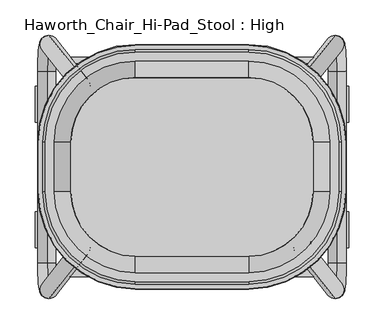
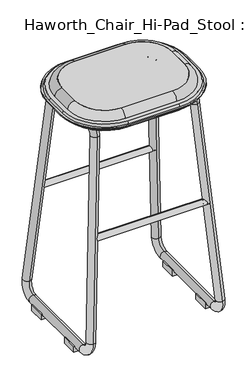
"""IFC4 building model written with IfcOpenShell, lengths in millimetres: furniture geometry, Haworth_Chair_Hi-Pad_Stool : High."""

from ifc_helpers import new_model, si_unit, point, frame, frame_2d, origin, place, context, project, spatial, polyline, circle_curve, ellipse_curve, trimmed, segment, composite_curve, outline, extrude, source, transform, mapped, element, save
from ifc_brep_helpers import plane_surface, cylinder_surface, revolved_surface, advanced_brep


def haworth_chair_hi_pad_stool_high_e360388b(model_context):
    return source(origin(), model_context, "Body", "SolidModel", [
        advanced_brep(
        [(-171.9189031, 34.925, 768.35), (-171.9189031, -34.925, 768.35), (-80.1154768, -126.7284262, 768.35), (80.1154768, -126.7284262, 768.35), (171.9189031, -34.925, 768.35), (171.9189031, 34.925, 768.35), (80.1154768, 126.7284262, 768.35), (-80.1154768, 126.7284262, 768.35), (-178.5135382, 34.925, 723.9250418), (-80.1154768, 133.3230614, 723.9250418), (80.1154768, 133.3230614, 723.9250418), (178.5135382, 34.925, 723.9250418), (178.5135382, -34.925, 723.9250418), (80.1154768, -133.3230614, 723.9250418), (-80.1154768, -133.3230614, 723.9250418), (-178.5135382, -34.925, 723.9250418)],
        [
            (0, 1),
            (1, 2, circle_curve(frame((-80.1154768, -34.925, 768.35), z_axis=(0.0, 0.0, 1.0), x_axis=(0.0, -1.0000000000000002, 0.0)), 91.8034262)),
            (2, 3),
            (3, 4, circle_curve(frame((80.1154768, -34.925, 768.35), z_axis=(0.0, 0.0, 1.0), x_axis=(1.0000000000000002, 0.0, 0.0)), 91.8034262)),
            (4, 5),
            (5, 6, circle_curve(frame((80.1154768, 34.925, 768.35), z_axis=(0.0, 0.0, 1.0), x_axis=(0.0, 1.0000000000000002, 0.0)), 91.8034262)),
            (6, 7),
            (7, 0, circle_curve(frame((-80.1154768, 34.925, 768.35), z_axis=(0.0, 0.0, 1.0), x_axis=(-1.0000000000000002, 0.0, 0.0)), 91.8034262)),
            (8, 9, circle_curve(frame((-80.1154768, 34.925, 723.9250418), z_axis=(0.0, 0.0, -1.0), x_axis=(-1.0000000000000002, 0.0, 0.0)), 98.3980614)),
            (9, 10),
            (10, 11, circle_curve(frame((80.1154768, 34.925, 723.9250418), z_axis=(0.0, 0.0, -1.0), x_axis=(0.0, 1.0000000000000002, 0.0)), 98.3980614)),
            (11, 12),
            (12, 13, circle_curve(frame((80.1154768, -34.925, 723.9250418), z_axis=(0.0, 0.0, -1.0), x_axis=(1.0000000000000002, 0.0, 0.0)), 98.3980614)),
            (13, 14),
            (14, 15, circle_curve(frame((-80.1154768, -34.925, 723.9250418), z_axis=(0.0, 0.0, -1.0), x_axis=(0.0, -1.0000000000000002, 0.0)), 98.3980614)),
            (15, 8),
            (8, 0),
            (7, 9),
            (6, 10),
            (5, 11),
            (4, 12),
            (3, 13),
            (2, 14),
            (1, 15),
        ],
        [
            plane_surface(frame((0.0, 0.0, 768.35), z_axis=(0.0, 0.0, 1.0), x_axis=(1.0, 0.0, 0.0))),
            plane_surface(frame((0.0, 0.0, 723.9250418), z_axis=(0.0, 0.0, -1.0), x_axis=(1.0, 0.0, 0.0))),
            revolved_surface(polyline([(-171.91890304995738, 34.925, 768.35), (-178.5135382, 34.925, 723.9250418)]), (-80.1154768, 34.925, 1386.7865444), (0.0, 0.0, -1.0)),
            plane_surface(frame((0.0, 133.3230614, 723.9250418), z_axis=(0.0, 0.989160943328851, 0.14683537786507003), x_axis=(1.0, 0.0, 0.0))),
            revolved_surface(polyline([(80.1154768, 126.72842624995738, 768.35), (80.1154768, 133.3230614, 723.9250418)]), (80.1154768, 34.925, 1386.7865444), (0.0, 0.0, -1.0)),
            plane_surface(frame((178.5135382, 0.0, 723.9250418), z_axis=(0.9891609433288493, 0.0, 0.14683537786508108), x_axis=(0.0, -1.0, 0.0))),
            revolved_surface(polyline([(171.91890304995738, -34.925, 768.35), (178.5135382, -34.925, 723.9250418)]), (80.1154768, -34.925, 1386.7865444), (0.0, 0.0, -1.0)),
            plane_surface(frame((0.0, -133.3230614, 723.9250418), z_axis=(0.0, -0.9891609433288517, 0.14683537786506412), x_axis=(-1.0, 0.0, 0.0))),
            revolved_surface(polyline([(-80.1154768, -126.72842624995738, 768.35), (-80.1154768, -133.3230614, 723.9250418)]), (-80.1154768, -34.925, 1386.7865444), (0.0, 0.0, -1.0)),
            plane_surface(frame((-178.5135382, 0.0, 723.9250418), z_axis=(-0.989160943328849, 0.0, 0.14683537786508405), x_axis=(0.0, 1.0, 0.0))),
        ],
        [
            (0, [[1, 2, 3, 4, 5, 6, 7, 8]]),
            (1, [[9, 10, 11, 12, 13, 14, 15, 16]]),
            (2, [[17, -8, 18, -9]]),
            (3, [[-18, -7, 19, -10]]),
            (4, [[-19, -6, 20, -11]]),
            (5, [[-20, -5, 21, -12]]),
            (6, [[-21, -4, 22, -13]]),
            (7, [[-22, -3, 23, -14]]),
            (8, [[-23, -2, 24, -15]]),
            (9, [[-24, -1, -17, -16]]),
        ],
    ),
        advanced_brep(
        [(80.1154768, -126.7284262, 768.35), (80.1154768, -133.3230614, 723.9250418), (-80.1154768, -133.3230614, 723.9250418), (-80.1154768, -126.7284262, 768.35), (-80.1154768, -127.3919978, 768.3597382), (-80.1154768, -149.9409798, 747.4493229), (80.1154768, -149.9409798, 747.4493229), (-207.8314566, -34.925, 747.4493229), (-80.1154768, -162.6409798, 747.4493229), (80.1154768, -162.6409798, 747.4493229), (207.8314566, -34.925, 747.4493229), (207.8314566, 34.925, 747.4493229), (80.1154768, 162.6409798, 747.4493229), (-80.1154768, 162.6409798, 747.4493229), (-207.8314566, 34.925, 747.4493229), (-195.1314566, -34.925, 747.4493229), (-195.1314566, 34.925, 747.4493229), (-80.1154768, 149.9409798, 747.4493229), (80.1154768, 149.9409798, 747.4493229), (195.1314566, 34.925, 747.4493229), (195.1314566, -34.925, 747.4493229), (-80.1154768, -166.2791169, 739.6473126), (80.1154768, -166.2791169, 739.6473126), (-217.8195937, -34.925, 739.6473126), (-80.1154768, -172.6291169, 739.6473126), (80.1154768, -172.6291169, 739.6473126), (217.8195937, -34.925, 739.6473126), (217.8195937, 34.925, 739.6473126), (80.1154768, 172.6291169, 739.6473126), (-80.1154768, 172.6291169, 739.6473126), (-217.8195937, 34.925, 739.6473126), (-211.4695937, -34.925, 739.6473126), (-211.4695937, 34.925, 739.6473126), (-80.1154768, 166.2791169, 739.6473126), (80.1154768, 166.2791169, 739.6473126), (211.4695937, 34.925, 739.6473126), (211.4695937, -34.925, 739.6473126), (-80.1154768, -173.4175169, 736.7049637), (80.1154768, -173.4175169, 736.7049637), (-218.6079938, -34.925, 736.7049637), (-218.6079938, 34.925, 736.7049637), (-80.1154768, 173.4175169, 736.7049637), (80.1154768, 173.4175169, 736.7049637), (218.6079938, 34.925, 736.7049637), (218.6079938, -34.925, 736.7049637), (-212.2579938, -34.925, 736.7049637), (-80.1154768, -167.0675169, 736.7049637), (80.1154768, -167.0675169, 736.7049637), (212.2579938, -34.925, 736.7049637), (212.2579938, 34.925, 736.7049637), (80.1154768, 167.0675169, 736.7049637), (-80.1154768, 167.0675169, 736.7049637), (-212.2579938, 34.925, 736.7049637), (-80.1154768, -163.4840689, 726.8595211), (80.1154768, -163.4840689, 726.8595211), (171.9189031, -34.925, 768.35), (178.5135382, -34.925, 723.9250418), (208.6745457, -34.925, 726.8595211), (171.9189031, 34.925, 768.35), (178.5135382, 34.925, 723.9250418), (208.6745457, 34.925, 726.8595211), (80.1154768, 126.7284262, 768.35), (80.1154768, 133.3230614, 723.9250418), (80.1154768, 163.4840689, 726.8595211), (-80.1154768, 126.7284262, 768.35), (-80.1154768, 133.3230614, 723.9250418), (-80.1154768, 163.4840689, 726.8595211), (-171.9189031, -34.925, 768.35), (-178.5135382, -34.925, 723.9250418), (-208.6745457, -34.925, 726.8595211), (-178.5135382, 34.925, 723.9250418), (-171.9189031, 34.925, 768.35), (-208.6745457, 34.925, 726.8595211)],
        [
            (0, 1),
            (1, 2),
            (2, 3),
            (3, 0),
            (3, 4, circle_curve(frame((-80.1154768, -127.3919978, 745.7465561), z_axis=(1.0, 0.0, 0.0), x_axis=(0.0, -1.0000000000000002, 0.0)), 22.6131821)),
            (4, 5, circle_curve(frame((-80.1154768, -127.3919978, 745.7465561), z_axis=(1.0, 0.0, 0.0), x_axis=(0.0, -1.0000000000000002, 0.0)), 22.6131821)),
            (5, 6),
            (6, 0, circle_curve(frame((80.1154768, -127.3919978, 745.7465561), z_axis=(-1.0, 0.0, 0.0), x_axis=(0.0, -1.0000000000000002, 0.0)), 22.6131821)),
            (7, 8, circle_curve(frame((-80.1154768, -34.925, 747.4493229), z_axis=(0.0, 0.0, 1.0), x_axis=(-1.0000000000000002, 0.0, 0.0)), 127.7159798)),
            (8, 9),
            (9, 10, circle_curve(frame((80.1154768, -34.925, 747.4493229), z_axis=(0.0, 0.0, 1.0), x_axis=(1.0000000000000002, 0.0, 0.0)), 127.7159798)),
            (10, 11),
            (11, 12, circle_curve(frame((80.1154768, 34.925, 747.4493229), z_axis=(0.0, 0.0, 1.0), x_axis=(1.0000000000000002, 0.0, 0.0)), 127.7159798)),
            (12, 13),
            (13, 14, circle_curve(frame((-80.1154768, 34.925, 747.4493229), z_axis=(0.0, 0.0, 1.0), x_axis=(-1.0000000000000002, 0.0, 0.0)), 127.7159798)),
            (14, 7),
            (5, 15, circle_curve(frame((-80.1154768, -34.925, 747.4493229), z_axis=(0.0, 0.0, -1.0), x_axis=(-1.0000000000000002, 0.0, 0.0)), 115.0159798)),
            (15, 16),
            (16, 17, circle_curve(frame((-80.1154768, 34.925, 747.4493229), z_axis=(0.0, 0.0, -1.0), x_axis=(-1.0000000000000002, 0.0, 0.0)), 115.0159798)),
            (17, 18),
            (18, 19, circle_curve(frame((80.1154768, 34.925, 747.4493229), z_axis=(0.0, 0.0, -1.0), x_axis=(1.0000000000000002, 0.0, 0.0)), 115.0159798)),
            (19, 20),
            (20, 6, circle_curve(frame((80.1154768, -34.925, 747.4493229), z_axis=(0.0, 0.0, -1.0), x_axis=(1.0000000000000002, 0.0, 0.0)), 115.0159798)),
            (8, 21, circle_curve(frame((-80.1154768, -153.8392427, 738.5957548), z_axis=(1.0, 0.0, 0.0), x_axis=(0.0, -1.0000000000000002, 0.0)), 12.4842398)),
            (21, 22),
            (22, 9, circle_curve(frame((80.1154768, -153.8392427, 738.5957548), z_axis=(-1.0, 0.0, 0.0), x_axis=(0.0, -1.0000000000000002, 0.0)), 12.4842398)),
            (23, 24, circle_curve(frame((-80.1154768, -34.925, 739.6473126), z_axis=(0.0, 0.0, 1.0), x_axis=(-1.0000000000000002, 0.0, 0.0)), 137.7041169)),
            (24, 25),
            (25, 26, circle_curve(frame((80.1154768, -34.925, 739.6473126), z_axis=(0.0, 0.0, 1.0), x_axis=(1.0000000000000002, 0.0, 0.0)), 137.7041169)),
            (26, 27),
            (27, 28, circle_curve(frame((80.1154768, 34.925, 739.6473126), z_axis=(0.0, 0.0, 1.0), x_axis=(1.0000000000000002, 0.0, 0.0)), 137.7041169)),
            (28, 29),
            (29, 30, circle_curve(frame((-80.1154768, 34.925, 739.6473126), z_axis=(0.0, 0.0, 1.0), x_axis=(-1.0000000000000002, 0.0, 0.0)), 137.7041169)),
            (30, 23),
            (21, 31, circle_curve(frame((-80.1154768, -34.925, 739.6473126), z_axis=(0.0, 0.0, -1.0), x_axis=(-1.0000000000000002, 0.0, 0.0)), 131.3541169)),
            (31, 32),
            (32, 33, circle_curve(frame((-80.1154768, 34.925, 739.6473126), z_axis=(0.0, 0.0, -1.0), x_axis=(-1.0000000000000002, 0.0, 0.0)), 131.3541169)),
            (33, 34),
            (34, 35, circle_curve(frame((80.1154768, 34.925, 739.6473126), z_axis=(0.0, 0.0, -1.0), x_axis=(1.0000000000000002, 0.0, 0.0)), 131.3541169)),
            (35, 36),
            (36, 22, circle_curve(frame((80.1154768, -34.925, 739.6473126), z_axis=(0.0, 0.0, -1.0), x_axis=(1.0000000000000002, 0.0, 0.0)), 131.3541169)),
            (24, 37),
            (37, 38),
            (38, 25),
            (37, 39, circle_curve(frame((-80.1154768, -34.925, 736.7049637), z_axis=(0.0, 0.0, -1.0), x_axis=(-1.0000000000000002, 0.0, 0.0)), 138.4925169)),
            (39, 40),
            (40, 41, circle_curve(frame((-80.1154768, 34.925, 736.7049637), z_axis=(0.0, 0.0, -1.0), x_axis=(-1.0000000000000002, 0.0, 0.0)), 138.4925169)),
            (41, 42),
            (42, 43, circle_curve(frame((80.1154768, 34.925, 736.7049637), z_axis=(0.0, 0.0, -1.0), x_axis=(1.0000000000000002, 0.0, 0.0)), 138.4925169)),
            (43, 44),
            (44, 38, circle_curve(frame((80.1154768, -34.925, 736.7049637), z_axis=(0.0, 0.0, -1.0), x_axis=(1.0000000000000002, 0.0, 0.0)), 138.4925169)),
            (45, 46, circle_curve(frame((-80.1154768, -34.925, 736.7049637), z_axis=(0.0, 0.0, 1.0), x_axis=(-1.0000000000000002, 0.0, 0.0)), 132.1425169)),
            (46, 47),
            (47, 48, circle_curve(frame((80.1154768, -34.925, 736.7049637), z_axis=(0.0, 0.0, 1.0), x_axis=(1.0000000000000002, 0.0, 0.0)), 132.1425169)),
            (48, 49),
            (49, 50, circle_curve(frame((80.1154768, 34.925, 736.7049637), z_axis=(0.0, 0.0, 1.0), x_axis=(1.0000000000000002, 0.0, 0.0)), 132.1425169)),
            (50, 51),
            (51, 52, circle_curve(frame((-80.1154768, 34.925, 736.7049637), z_axis=(0.0, 0.0, 1.0), x_axis=(-1.0000000000000002, 0.0, 0.0)), 132.1425169)),
            (52, 45),
            (46, 53, circle_curve(frame((-80.1154768, -148.476041, 737.896852), z_axis=(1.0, 0.0, 0.0), x_axis=(0.0, -1.0000000000000002, 0.0)), 18.6296423)),
            (53, 54),
            (54, 47, circle_curve(frame((80.1154768, -148.476041, 737.896852), z_axis=(-1.0, 0.0, 0.0), x_axis=(0.0, -1.0000000000000002, 0.0)), 18.6296423)),
            (1, 54),
            (53, 2),
            (20, 55, circle_curve(frame((172.5824746, -34.925, 745.7465561), z_axis=(0.0, -1.0000000000000002, 0.0), x_axis=(0.0, 0.0, 1.0)), 22.6131821)),
            (55, 0, circle_curve(frame((80.1154768, -34.925, 768.35), z_axis=(0.0, 0.0, -1.0), x_axis=(1.0000000000000002, 0.0, 0.0)), 91.8034262)),
            (55, 56),
            (56, 1, circle_curve(frame((80.1154768, -34.925, 723.9250418), z_axis=(0.0, 0.0, -1.0), x_axis=(1.0000000000000002, 0.0, 0.0)), 98.3980614)),
            (56, 57),
            (57, 54, circle_curve(frame((80.1154768, -34.925, 726.8595211), z_axis=(0.0, 0.0, -1.0), x_axis=(1.0000000000000002, 0.0, 0.0)), 128.5590689)),
            (57, 48, circle_curve(frame((193.6665179, -34.925, 737.896852), z_axis=(0.0, -1.0000000000000002, 0.0), x_axis=(0.0, 0.0, 1.0)), 18.6296423)),
            (44, 26),
            (36, 10, circle_curve(frame((199.0297195, -34.925, 738.5957548), z_axis=(0.0, -1.0000000000000002, 0.0), x_axis=(0.0, 0.0, 1.0)), 12.4842398)),
            (58, 59),
            (59, 56),
            (55, 58),
            (59, 60),
            (60, 57),
            (60, 49, circle_curve(frame((193.6665179, 34.925, 737.896852), z_axis=(0.0, -1.0, 0.0), x_axis=(0.0, 0.0, 1.0)), 18.6296423)),
            (43, 27),
            (35, 11, circle_curve(frame((199.0297195, 34.925, 738.5957548), z_axis=(0.0, -1.0, 0.0), x_axis=(0.0, 0.0, 1.0)), 12.4842398)),
            (19, 58, circle_curve(frame((172.5824746, 34.925, 745.7465561), z_axis=(0.0, -1.0, 0.0), x_axis=(0.0, 0.0, 1.0)), 22.6131821)),
            (18, 61, circle_curve(frame((80.1154768, 127.3919978, 745.7465561), z_axis=(1.0000000000000002, 0.0, 0.0), x_axis=(0.0, 0.0, 1.0)), 22.6131821)),
            (61, 58, circle_curve(frame((80.1154768, 34.925, 768.35), z_axis=(0.0, 0.0, -1.0), x_axis=(1.0000000000000002, 0.0, 0.0)), 91.8034262)),
            (61, 62),
            (62, 59, circle_curve(frame((80.1154768, 34.925, 723.9250418), z_axis=(0.0, 0.0, -1.0), x_axis=(1.0000000000000002, 0.0, 0.0)), 98.3980614)),
            (62, 63),
            (63, 60, circle_curve(frame((80.1154768, 34.925, 726.8595211), z_axis=(0.0, 0.0, -1.0), x_axis=(1.0000000000000002, 0.0, 0.0)), 128.5590689)),
            (63, 50, circle_curve(frame((80.1154768, 148.476041, 737.896852), z_axis=(1.0000000000000002, 0.0, 0.0), x_axis=(0.0, 0.0, 1.0)), 18.6296423)),
            (42, 28),
            (34, 12, circle_curve(frame((80.1154768, 153.8392427, 738.5957548), z_axis=(1.0000000000000002, 0.0, 0.0), x_axis=(0.0, 0.0, 1.0)), 12.4842398)),
            (61, 64),
            (64, 65),
            (65, 62),
            (17, 64, circle_curve(frame((-80.1154768, 127.3919978, 745.7465561), z_axis=(1.0, 0.0, 0.0), x_axis=(0.0, 1.0000000000000002, 0.0)), 22.6131821)),
            (33, 13, circle_curve(frame((-80.1154768, 153.8392427, 738.5957548), z_axis=(1.0, 0.0, 0.0), x_axis=(0.0, 1.0000000000000002, 0.0)), 12.4842398)),
            (41, 29),
            (63, 66),
            (66, 51, circle_curve(frame((-80.1154768, 148.476041, 737.896852), z_axis=(1.0, 0.0, 0.0), x_axis=(0.0, 1.0000000000000002, 0.0)), 18.6296423)),
            (65, 66),
            (3, 67, circle_curve(frame((-80.1154768, -34.925, 768.35), z_axis=(0.0, 0.0, -1.0), x_axis=(-1.0000000000000002, 0.0, 0.0)), 91.8034262)),
            (67, 15, circle_curve(frame((-172.5824746, -34.925, 745.7465561), z_axis=(0.0, -1.0000000000000002, 0.0), x_axis=(0.0, 0.0, 1.0)), 22.6131821)),
            (2, 68, circle_curve(frame((-80.1154768, -34.925, 723.9250418), z_axis=(0.0, 0.0, -1.0), x_axis=(-1.0000000000000002, 0.0, 0.0)), 98.3980614)),
            (68, 67),
            (53, 69, circle_curve(frame((-80.1154768, -34.925, 726.8595211), z_axis=(0.0, 0.0, -1.0), x_axis=(-1.0000000000000002, 0.0, 0.0)), 128.5590689)),
            (69, 68),
            (45, 69, circle_curve(frame((-193.6665179, -34.925, 737.896852), z_axis=(0.0, -1.0000000000000002, 0.0), x_axis=(0.0, 0.0, 1.0)), 18.6296423)),
            (23, 39),
            (7, 31, circle_curve(frame((-199.0297195, -34.925, 738.5957548), z_axis=(0.0, -1.0000000000000002, 0.0), x_axis=(0.0, 0.0, 1.0)), 12.4842398)),
            (70, 71),
            (71, 67),
            (68, 70),
            (69, 72),
            (72, 70),
            (52, 72, circle_curve(frame((-193.6665179, 34.925, 737.896852), z_axis=(0.0, -1.0, 0.0), x_axis=(0.0, 0.0, 1.0)), 18.6296423)),
            (30, 40),
            (14, 32, circle_curve(frame((-199.0297195, 34.925, 738.5957548), z_axis=(0.0, -1.0, 0.0), x_axis=(0.0, 0.0, 1.0)), 12.4842398)),
            (71, 16, circle_curve(frame((-172.5824746, 34.925, 745.7465561), z_axis=(0.0, -1.0, 0.0), x_axis=(0.0, 0.0, 1.0)), 22.6131821)),
            (71, 64, circle_curve(frame((-80.1154768, 34.925, 768.35), z_axis=(0.0, 0.0, -1.0), x_axis=(-1.0000000000000002, 0.0, 0.0)), 91.8034262)),
            (70, 65, circle_curve(frame((-80.1154768, 34.925, 723.9250418), z_axis=(0.0, 0.0, -1.0), x_axis=(-1.0000000000000002, 0.0, 0.0)), 98.3980614)),
            (72, 66, circle_curve(frame((-80.1154768, 34.925, 726.8595211), z_axis=(0.0, 0.0, -1.0), x_axis=(-1.0000000000000002, 0.0, 0.0)), 128.5590689)),
        ],
        [
            plane_surface(frame((80.1154768, -126.7284262, 768.35), z_axis=(0.0, 0.9891609433288518, -0.1468353778650639), x_axis=(-1.0, 0.0, 0.0))),
            cylinder_surface(frame((-80.1154768, -127.3919978, 745.7465561), z_axis=(1.0000000000000002, 0.0, 0.0), x_axis=(0.0, -1.0000000000000002, 0.0)), 22.6131821),
            plane_surface(frame((80.1154768, -162.6409798, 747.4493229), z_axis=(0.0, 0.0, 1.0), x_axis=(-1.0, 0.0, 0.0))),
            cylinder_surface(frame((-80.1154768, -153.8392427, 738.5957548), z_axis=(1.0000000000000002, 0.0, 0.0), x_axis=(0.0, -1.0000000000000002, 0.0)), 12.4842398),
            plane_surface(frame((80.1154768, -172.6291169, 739.6473126), z_axis=(0.0, 0.0, 1.0), x_axis=(-1.0, 0.0, 0.0))),
            plane_surface(frame((80.1154768, -173.4175169, 736.7049637), z_axis=(0.0, -0.9659258262890752, 0.2588190451024952), x_axis=(-1.0, 0.0, 0.0))),
            plane_surface(frame((80.1154768, -167.0675169, 736.7049637), z_axis=(0.0, 0.0, -1.0), x_axis=(-1.0, 0.0, 0.0))),
            cylinder_surface(frame((-80.1154768, -148.476041, 737.896852), z_axis=(1.0000000000000002, 0.0, 0.0), x_axis=(0.0, -1.0000000000000002, 0.0)), 18.6296423),
            plane_surface(frame((80.1154768, -133.3230614, 723.9250418), z_axis=(0.0, -0.09683655773188508, -0.9953002969388883), x_axis=(-1.0, 0.0, 0.0))),
            revolved_surface(trimmed(ellipse_curve(frame((172.5824746, -34.925, 745.7465561), z_axis=(0.0, -1.0000000000000002, 0.0), x_axis=(0.0, 0.0, 1.0)), 22.6131821, 22.6131821), [point((195.1314566, -34.925, 747.4493229))], [point((171.9189031, -34.925, 768.35))], True, "CARTESIAN"), (80.1154768, -34.925, 859.9074778), (0.0, 0.0, 1.0)),
            revolved_surface(polyline([(171.9189031, -34.925, 768.35), (178.5135382, -34.925, 723.9250418)]), (80.1154768, -34.925, 859.9074778), (0.0, 0.0, 1.0)),
            revolved_surface(polyline([(178.5135382, -34.925, 723.9250418), (208.6745457, -34.925, 726.8595211)]), (80.1154768, -34.925, 859.9074778), (0.0, 0.0, 1.0)),
            revolved_surface(trimmed(ellipse_curve(frame((193.6665179, -34.925, 737.896852), z_axis=(0.0, -1.0000000000000002, 0.0), x_axis=(0.0, 0.0, 1.0)), 18.6296423, 18.6296423), [point((208.6745457, -34.925, 726.8595211))], [point((212.2579938, -34.925, 736.7049637))], True, "CARTESIAN"), (80.1154768, -34.925, 859.9074778), (0.0, 0.0, 1.0)),
            revolved_surface(polyline([(218.6079938, -34.925, 736.7049637), (217.8195937, -34.925, 739.6473126)]), (80.1154768, -34.925, 859.9074778), (0.0, 0.0, 1.0)),
            revolved_surface(trimmed(ellipse_curve(frame((199.0297195, -34.925, 738.5957548), z_axis=(0.0, -1.0000000000000002, 0.0), x_axis=(0.0, 0.0, 1.0)), 12.4842398, 12.4842398), [point((211.4695937, -34.925, 739.6473126))], [point((207.8314566, -34.925, 747.4493229))], True, "CARTESIAN"), (80.1154768, -34.925, 859.9074778), (0.0, 0.0, 1.0)),
            plane_surface(frame((171.9189031, 34.925, 768.35), z_axis=(-0.9891609433288493, 0.0, -0.14683537786508108), x_axis=(0.0, -1.0, 0.0))),
            plane_surface(frame((178.5135382, 34.925, 723.9250418), z_axis=(0.09683655773190229, 0.0, -0.9953002969388867), x_axis=(0.0, -1.0, 0.0))),
            cylinder_surface(frame((193.6665179, -34.925, 737.896852), z_axis=(0.0, 1.0000000000000002, 0.0), x_axis=(0.0, 0.0, 1.0)), 18.6296423),
            plane_surface(frame((218.6079938, 34.925, 736.7049637), z_axis=(0.9659258262890694, 0.0, 0.2588190451025166), x_axis=(0.0, -1.0, 0.0))),
            cylinder_surface(frame((199.0297195, -34.925, 738.5957548), z_axis=(0.0, 1.0000000000000002, 0.0), x_axis=(0.0, 0.0, 1.0)), 12.4842398),
            cylinder_surface(frame((172.5824746, -34.925, 745.7465561), z_axis=(0.0, 1.0000000000000002, 0.0), x_axis=(0.0, 0.0, 1.0)), 22.6131821),
            revolved_surface(trimmed(ellipse_curve(frame((172.5824746, 34.925, 745.7465561), z_axis=(0.0, 1.0000000000000002, 0.0), x_axis=(0.0, 0.0, 1.0)), 22.6131821, 22.6131821), [point((171.9189031, 34.925, 768.35))], [point((195.1314566, 34.925, 747.4493229))], True, "CARTESIAN"), (80.1154768, 34.925, 859.9074778), (0.0, 0.0, -1.0)),
            revolved_surface(polyline([(178.5135382, 34.925, 723.9250418), (171.9189031, 34.925, 768.35)]), (80.1154768, 34.925, 859.9074778), (0.0, 0.0, -1.0)),
            revolved_surface(polyline([(208.6745457, 34.925, 726.8595211), (178.5135382, 34.925, 723.9250418)]), (80.1154768, 34.925, 859.9074778), (0.0, 0.0, -1.0)),
            revolved_surface(trimmed(ellipse_curve(frame((193.6665179, 34.925, 737.896852), z_axis=(0.0, 1.0000000000000002, 0.0), x_axis=(0.0, 0.0, 1.0)), 18.6296423, 18.6296423), [point((212.2579938, 34.925, 736.7049637))], [point((208.6745457, 34.925, 726.8595211))], True, "CARTESIAN"), (80.1154768, 34.925, 859.9074778), (0.0, 0.0, -1.0)),
            revolved_surface(polyline([(217.8195937, 34.925, 739.6473126), (218.6079938, 34.925, 736.7049637)]), (80.1154768, 34.925, 859.9074778), (0.0, 0.0, -1.0)),
            revolved_surface(trimmed(ellipse_curve(frame((199.0297195, 34.925, 738.5957548), z_axis=(0.0, 1.0000000000000002, 0.0), x_axis=(0.0, 0.0, 1.0)), 12.4842398, 12.4842398), [point((207.8314566, 34.925, 747.4493229))], [point((211.4695937, 34.925, 739.6473126))], True, "CARTESIAN"), (80.1154768, 34.925, 859.9074778), (0.0, 0.0, -1.0)),
            plane_surface(frame((80.1154768, 133.3230614, 723.9250418), z_axis=(0.0, -0.9891609433288518, -0.14683537786506393), x_axis=(-1.0, 0.0, 0.0))),
            cylinder_surface(frame((-80.1154768, 127.3919978, 745.7465561), z_axis=(1.0000000000000002, 0.0, 0.0), x_axis=(0.0, 1.0000000000000002, 0.0)), 22.6131821),
            cylinder_surface(frame((-80.1154768, 153.8392427, 738.5957548), z_axis=(1.0000000000000002, 0.0, 0.0), x_axis=(0.0, 1.0000000000000002, 0.0)), 12.4842398),
            plane_surface(frame((80.1154768, 172.6291169, 739.6473126), z_axis=(0.0, 0.9659258262890752, 0.2588190451024952), x_axis=(-1.0, 0.0, 0.0))),
            cylinder_surface(frame((-80.1154768, 148.476041, 737.896852), z_axis=(1.0000000000000002, 0.0, 0.0), x_axis=(0.0, 1.0000000000000002, 0.0)), 18.6296423),
            plane_surface(frame((80.1154768, 163.4840689, 726.8595211), z_axis=(0.0, 0.0968365577318848, -0.9953002969388883), x_axis=(-1.0, 0.0, 0.0))),
            revolved_surface(trimmed(ellipse_curve(frame((-172.5824746, -34.925, 745.7465561), z_axis=(0.0, -1.0000000000000002, 0.0), x_axis=(0.0, 0.0, 1.0)), 22.6131821, 22.6131821), [point((-171.9189031, -34.925, 768.35))], [point((-195.1314566, -34.925, 747.4493229))], True, "CARTESIAN"), (-80.1154768, -34.925, 859.9074778), (0.0, 0.0, -1.0)),
            revolved_surface(polyline([(-178.5135382, -34.925, 723.9250418), (-171.9189031, -34.925, 768.35)]), (-80.1154768, -34.925, 859.9074778), (0.0, 0.0, -1.0)),
            revolved_surface(polyline([(-208.6745457, -34.925, 726.8595211), (-178.5135382, -34.925, 723.9250418)]), (-80.1154768, -34.925, 859.9074778), (0.0, 0.0, -1.0)),
            revolved_surface(trimmed(ellipse_curve(frame((-193.6665179, -34.925, 737.896852), z_axis=(0.0, -1.0000000000000002, 0.0), x_axis=(0.0, 0.0, 1.0)), 18.6296423, 18.6296423), [point((-212.2579938, -34.925, 736.7049637))], [point((-208.6745457, -34.925, 726.8595211))], True, "CARTESIAN"), (-80.1154768, -34.925, 859.9074778), (0.0, 0.0, -1.0)),
            revolved_surface(polyline([(-217.8195937, -34.925, 739.6473126), (-218.6079938, -34.925, 736.7049637)]), (-80.1154768, -34.925, 859.9074778), (0.0, 0.0, -1.0)),
            revolved_surface(trimmed(ellipse_curve(frame((-199.0297195, -34.925, 738.5957548), z_axis=(0.0, -1.0000000000000002, 0.0), x_axis=(0.0, 0.0, 1.0)), 12.4842398, 12.4842398), [point((-207.8314566, -34.925, 747.4493229))], [point((-211.4695937, -34.925, 739.6473126))], True, "CARTESIAN"), (-80.1154768, -34.925, 859.9074778), (0.0, 0.0, -1.0)),
            plane_surface(frame((-178.5135382, 34.925, 723.9250418), z_axis=(0.9891609433288493, 0.0, -0.14683537786508108), x_axis=(0.0, -1.0, 0.0))),
            plane_surface(frame((-208.6745457, 34.925, 726.8595211), z_axis=(-0.09683655773190229, 0.0, -0.9953002969388867), x_axis=(0.0, -1.0, 0.0))),
            cylinder_surface(frame((-193.6665179, -34.925, 737.896852), z_axis=(0.0, 1.0000000000000002, 0.0), x_axis=(0.0, 0.0, 1.0)), 18.6296423),
            plane_surface(frame((-217.8195937, 34.925, 739.6473126), z_axis=(-0.9659258262890694, 0.0, 0.2588190451025166), x_axis=(0.0, -1.0, 0.0))),
            cylinder_surface(frame((-199.0297195, -34.925, 738.5957548), z_axis=(0.0, 1.0000000000000002, 0.0), x_axis=(0.0, 0.0, 1.0)), 12.4842398),
            cylinder_surface(frame((-172.5824746, -34.925, 745.7465561), z_axis=(0.0, 1.0000000000000002, 0.0), x_axis=(0.0, 0.0, 1.0)), 22.6131821),
            revolved_surface(trimmed(ellipse_curve(frame((-172.5824746, 34.925, 745.7465561), z_axis=(0.0, 1.0000000000000002, 0.0), x_axis=(0.0, 0.0, 1.0)), 22.6131821, 22.6131821), [point((-195.1314566, 34.925, 747.4493229))], [point((-171.9189031, 34.925, 768.35))], True, "CARTESIAN"), (-80.1154768, 34.925, 859.9074778), (0.0, 0.0, 1.0)),
            revolved_surface(polyline([(-171.9189031, 34.925, 768.35), (-178.5135382, 34.925, 723.9250418)]), (-80.1154768, 34.925, 859.9074778), (0.0, 0.0, 1.0)),
            revolved_surface(polyline([(-178.5135382, 34.925, 723.9250418), (-208.6745457, 34.925, 726.8595211)]), (-80.1154768, 34.925, 859.9074778), (0.0, 0.0, 1.0)),
            revolved_surface(trimmed(ellipse_curve(frame((-193.6665179, 34.925, 737.896852), z_axis=(0.0, 1.0000000000000002, 0.0), x_axis=(0.0, 0.0, 1.0)), 18.6296423, 18.6296423), [point((-208.6745457, 34.925, 726.8595211))], [point((-212.2579938, 34.925, 736.7049637))], True, "CARTESIAN"), (-80.1154768, 34.925, 859.9074778), (0.0, 0.0, 1.0)),
            revolved_surface(polyline([(-218.6079938, 34.925, 736.7049637), (-217.8195937, 34.925, 739.6473126)]), (-80.1154768, 34.925, 859.9074778), (0.0, 0.0, 1.0)),
            revolved_surface(trimmed(ellipse_curve(frame((-199.0297195, 34.925, 738.5957548), z_axis=(0.0, 1.0000000000000002, 0.0), x_axis=(0.0, 0.0, 1.0)), 12.4842398, 12.4842398), [point((-211.4695937, 34.925, 739.6473126))], [point((-207.8314566, 34.925, 747.4493229))], True, "CARTESIAN"), (-80.1154768, 34.925, 859.9074778), (0.0, 0.0, 1.0)),
        ],
        [
            (0, [[1, 2, 3, 4]]),
            (1, [[5, 6, 7, 8, -4]]),
            (2, [[9, 10, 11, 12, 13, 14, 15, 16], [17, 18, 19, 20, 21, 22, 23, -7]]),
            (3, [[24, 25, 26, -10]]),
            (4, [[27, 28, 29, 30, 31, 32, 33, 34], [35, 36, 37, 38, 39, 40, 41, -25]]),
            (5, [[42, 43, 44, -28]]),
            (6, [[45, 46, 47, 48, 49, 50, 51, -43], [52, 53, 54, 55, 56, 57, 58, 59]]),
            (7, [[60, 61, 62, -53]]),
            (8, [[63, -61, 64, -2]]),
            (9, [[-8, -23, 65, 66]]),
            (10, [[67, 68, -1, -66]]),
            (11, [[69, 70, -63, -68]]),
            (12, [[71, -54, -62, -70]]),
            (13, [[72, -29, -44, -51]]),
            (14, [[73, -11, -26, -41]]),
            (15, [[74, 75, -67, 76]]),
            (16, [[77, 78, -69, -75]]),
            (17, [[79, -55, -71, -78]]),
            (18, [[80, -30, -72, -50]]),
            (19, [[81, -12, -73, -40]]),
            (20, [[-65, -22, 82, -76]]),
            (21, [[83, 84, -82, -21]]),
            (22, [[85, 86, -74, -84]]),
            (23, [[87, 88, -77, -86]]),
            (24, [[89, -56, -79, -88]]),
            (25, [[90, -31, -80, -49]]),
            (26, [[91, -13, -81, -39]]),
            (27, [[-85, 92, 93, 94]]),
            (28, [[-83, -20, 95, -92]]),
            (29, [[-91, -38, 96, -14]]),
            (30, [[-90, -48, 97, -32]]),
            (31, [[-89, 98, 99, -57]]),
            (32, [[100, -98, -87, -94]]),
            (33, [[-6, -5, 101, 102, -17]]),
            (34, [[-3, 103, 104, -101]]),
            (35, [[-64, 105, 106, -103]]),
            (36, [[-60, -52, 107, -105]]),
            (37, [[-42, -27, 108, -45]]),
            (38, [[-24, -9, 109, -35]]),
            (39, [[110, 111, -104, 112]]),
            (40, [[-106, 113, 114, -112]]),
            (41, [[-107, -59, 115, -113]]),
            (42, [[-108, -34, 116, -46]]),
            (43, [[-109, -16, 117, -36]]),
            (44, [[118, -18, -102, -111]]),
            (45, [[-95, -19, -118, 119]]),
            (46, [[-110, 120, -93, -119]]),
            (47, [[-114, 121, -100, -120]]),
            (48, [[-115, -58, -99, -121]]),
            (49, [[-116, -33, -97, -47]]),
            (50, [[-117, -15, -96, -37]]),
        ],
    ),
        extrude(outline(composite_curve([segment(polyline([(19.05, 190.5), (0.0, 190.5), (0.0, 222.25), (19.05, 222.25), (19.05, 219.075)]), True, "CONTINUOUS"), segment(trimmed(circle_curve(frame_2d((19.05, 206.375)), 12.7), [point((19.05, 219.075))], [point((19.05, 193.675))], True, "CARTESIAN"), True, "CONTINUOUS"), segment(polyline([(19.05, 193.675), (19.05, 190.5)]), True, "CONTINUOUS")], self_intersect=False)), frame((0.0, 63.5, 0.0), z_axis=(0.0, 1.0, 0.0), x_axis=(0.0, 0.0, 1.0)), (0.0, 0.0, 1.0), 50.8),
        extrude(outline(composite_curve([segment(polyline([(19.05, 190.5), (0.0, 190.5), (0.0, 222.25), (19.05, 222.25), (19.05, 219.075)]), True, "CONTINUOUS"), segment(trimmed(circle_curve(frame_2d((19.05, 206.375)), 12.7), [point((19.05, 219.075))], [point((19.05, 193.675))], True, "CARTESIAN"), True, "CONTINUOUS"), segment(polyline([(19.05, 193.675), (19.05, 190.5)]), True, "CONTINUOUS")], self_intersect=False)), frame((0.0, -114.3, 0.0), z_axis=(0.0, 1.0, 0.0), x_axis=(0.0, 0.0, 1.0)), (0.0, 0.0, 1.0), 50.8),
        extrude(outline(composite_curve([segment(polyline([(19.05, -190.5), (19.05, -193.675)]), True, "CONTINUOUS"), segment(trimmed(circle_curve(frame_2d((19.05, -206.375)), 12.7), [point((19.05, -193.675))], [point((19.05, -219.075))], True, "CARTESIAN"), True, "CONTINUOUS"), segment(polyline([(19.05, -219.075), (19.05, -222.25), (0.0, -222.25), (0.0, -190.5), (19.05, -190.5)]), True, "CONTINUOUS")], self_intersect=False)), frame((0.0, 63.5, 0.0), z_axis=(0.0, 1.0, 0.0), x_axis=(0.0, 0.0, 1.0)), (0.0, 0.0, 1.0), 50.8),
        extrude(outline(composite_curve([segment(polyline([(19.05, -190.5), (19.05, -193.675)]), True, "CONTINUOUS"), segment(trimmed(circle_curve(frame_2d((19.05, -206.375)), 12.7), [point((19.05, -193.675))], [point((19.05, -219.075))], True, "CARTESIAN"), True, "CONTINUOUS"), segment(polyline([(19.05, -219.075), (19.05, -222.25), (0.0, -222.25), (0.0, -190.5), (19.05, -190.5)]), True, "CONTINUOUS")], self_intersect=False)), frame((0.0, -114.3, 0.0), z_axis=(0.0, 1.0, 0.0), x_axis=(0.0, 0.0, 1.0)), (0.0, 0.0, 1.0), 50.8),
        extrude(outline(composite_curve([segment(trimmed(circle_curve(frame_2d((-146.05, 381.0)), 9.525), [point((-146.05, 371.475))], [point((-146.05, 390.525))], False, "CARTESIAN"), True, "CONTINUOUS"), segment(trimmed(circle_curve(frame_2d((-146.05, 381.0)), 9.525), [point((-146.05, 390.525))], [point((-146.05, 371.475))], False, "CARTESIAN"), True, "CONTINUOUS")], self_intersect=False)), frame((-181.0934619, 0.0, 0.0), z_axis=(1.0, 0.0, 0.0), x_axis=(0.0, 1.0, 0.0)), (0.0, 0.0, 1.0), 362.2632643),
        extrude(outline(composite_curve([segment(trimmed(circle_curve(frame_2d((146.05, 381.0)), 9.525), [point((146.05, 371.475))], [point((146.05, 390.525))], False, "CARTESIAN"), True, "CONTINUOUS"), segment(trimmed(circle_curve(frame_2d((146.05, 381.0)), 9.525), [point((146.05, 390.525))], [point((146.05, 371.475))], False, "CARTESIAN"), True, "CONTINUOUS")], self_intersect=False)), frame((-181.0934619, 0.0, 0.0), z_axis=(1.0, 0.0, 0.0), x_axis=(0.0, 1.0, 0.0)), (0.0, 0.0, 1.0), 362.2632643),
        advanced_brep(
        [(206.8878631, 136.0922452, 7.6863711), (205.0619686, 136.0922452, 33.0206583), (203.0713295, 161.388645, 60.6407759), (202.9065849, 186.6850447, 62.9266063), (206.8878631, -136.0601329, 7.6863711), (205.0619686, -136.0601329, 33.0206583), (202.9037974, -186.6494044, 62.9652827), (203.0699357, -161.3547687, 60.6601141), (157.1661243, -128.5152474, 697.5754975), (157.3322626, -103.2206117, 695.2703289), (154.6764899, -90.5732939, 732.1191754), (156.5023844, -90.5732939, 706.7848882), (154.6764899, 91.0971207, 732.1191754), (156.5023844, 91.0971207, 706.7848882), (157.1682149, 129.0417203, 697.5464902), (157.3329594, 103.7453205, 695.2606598)],
        [
            (0, 1, circle_curve(frame((205.9749159, 136.0922452, 20.3535147), z_axis=(0.0, 1.0, 0.0), x_axis=(-0.07188561316907625, 0.0, 0.9974128827217472)), 12.7)),
            (1, 2, circle_curve(frame((203.236074, 136.0922452, 58.3549455), z_axis=(0.9974128827217472, 0.0, 0.07188561316907627), x_axis=(-0.006486005276111782, 0.9959212486506532, 0.08999332320612442)), 25.4)),
            (2, 3, circle_curve(frame((202.9889572, 174.0368448, 61.7836911), z_axis=(0.07159240962736416, 0.09022675039102153, -0.99334468358049), x_axis=(0.006486005276111792, -0.9959212486506532, -0.08999332320612433)), 12.7)),
            (3, 0, circle_curve(frame((203.236074, 136.0922452, 58.3549455), z_axis=(-0.9974128827217472, 0.0, -0.07188561316907627), x_axis=(-0.006486005276111782, 0.9959212486506532, 0.08999332320612442)), 50.8)),
            (1, 0, circle_curve(frame((205.9749159, 136.0922452, 20.3535147), z_axis=(0.0, 0.9999999999999999, 0.0), x_axis=(-0.07188561316907625, 0.0, 0.9974128827217471)), 12.7)),
            (3, 2, circle_curve(frame((202.9889572, 174.0368448, 61.7836911), z_axis=(0.07159240962736416, 0.09022675039102153, -0.99334468358049), x_axis=(0.006486005276111792, -0.9959212486506532, -0.08999332320612433)), 12.7)),
            (0, 4),
            (4, 5, circle_curve(frame((205.9749159, -136.0601329, 20.3535147), z_axis=(0.0, 1.0, 0.0), x_axis=(-0.07188561316907625, 0.0, 0.9974128827217472)), 12.7)),
            (5, 1),
            (5, 4, circle_curve(frame((205.9749159, -136.0601329, 20.3535147), z_axis=(0.0, 1.0, 0.0), x_axis=(-0.07188561316907625, 0.0, 0.9974128827217472)), 12.7)),
            (6, 7, circle_curve(frame((202.9868666, -174.0020865, 61.8126984), z_axis=(0.07158741724427828, -0.09099007148391391, -0.9932754142651704), x_axis=(0.006540877080919247, 0.9958517996626568, -0.09075466949782843)), 12.7)),
            (7, 5, circle_curve(frame((203.236074, -136.0601329, 58.3549455), z_axis=(0.9974128827217472, 0.0, 0.07188561316907627), x_axis=(0.07188561316907627, 0.0, -0.9974128827217472)), 25.4)),
            (4, 6, circle_curve(frame((203.236074, -136.0601329, 58.3549455), z_axis=(-0.9974128827217472, 0.0, -0.07188561316907627), x_axis=(0.07188561316907627, 0.0, -0.9974128827217472)), 50.8)),
            (7, 6, circle_curve(frame((202.9868666, -174.0020865, 61.8126984), z_axis=(0.07158741724427782, -0.09099007148398401, -0.993275414265164), x_axis=(0.006540877080924286, 0.9958517996626504, -0.09075466949789834)), 12.7)),
            (6, 8),
            (8, 9, circle_curve(frame((157.2491934, -115.8679296, 696.4229132), z_axis=(0.0715874172442787, -0.0909900714838448, -0.9932754142651768), x_axis=(0.0065408770809142775, 0.995851799662663, -0.09075466949775948)), 12.7)),
            (9, 7),
            (9, 8, circle_curve(frame((157.2491934, -115.8679296, 696.4229132), z_axis=(0.0715874172442787, -0.0909900714838448, -0.9932754142651768), x_axis=(0.0065408770809142775, 0.995851799662663, -0.09075466949775948)), 12.7)),
            (10, 11, circle_curve(frame((155.5894371, -90.5732939, 719.4520318), z_axis=(0.0, -0.9999999999999999, 0.0), x_axis=(0.07188561316907628, 0.0, -0.9974128827217472)), 12.7)),
            (11, 9, circle_curve(frame((157.4153317, -90.5732939, 694.1177446), z_axis=(0.9974128827217472, 0.0, 0.07188561316907627), x_axis=(-0.006540877080913516, -0.995851799662664, 0.0907546694977491)), 12.7)),
            (8, 10, circle_curve(frame((157.4153317, -90.5732939, 694.1177446), z_axis=(-0.9974128827217472, 0.0, -0.07188561316907627), x_axis=(-0.006540877080913516, -0.995851799662664, 0.0907546694977491)), 38.1)),
            (11, 10, circle_curve(frame((155.5894371, -90.5732939, 719.4520318), z_axis=(0.0, -1.0, 0.0), x_axis=(0.07188561316907627, 0.0, -0.9974128827217472)), 12.7)),
            (10, 12),
            (12, 13, circle_curve(frame((155.5894371, 91.0971207, 719.4520318), z_axis=(0.0, -1.0, 0.0), x_axis=(0.0718856131690763, 0.0, -0.9974128827217472)), 12.7)),
            (13, 11),
            (13, 12, circle_curve(frame((155.5894371, 91.0971207, 719.4520318), z_axis=(0.0, -1.0, 0.0), x_axis=(0.0718856131690763, 0.0, -0.9974128827217472)), 12.7)),
            (14, 15, circle_curve(frame((157.2505872, 116.3935204, 696.403575), z_axis=(-0.07159240962736421, -0.09022675039102063, 0.99334468358049), x_axis=(0.006486005276111738, -0.9959212486506532, -0.08999332320612342)), 12.7)),
            (15, 13, circle_curve(frame((157.4153317, 91.0971207, 694.1177446), z_axis=(0.9974128827217472, 0.0, 0.07188561316907627), x_axis=(-0.07188561316907627, 0.0, 0.9974128827217472)), 12.7)),
            (12, 14, circle_curve(frame((157.4153317, 91.0971207, 694.1177446), z_axis=(-0.9974128827217472, 0.0, -0.07188561316907627), x_axis=(-0.07188561316907627, 0.0, 0.9974128827217472)), 38.1)),
            (15, 14, circle_curve(frame((157.2505872, 116.3935204, 696.403575), z_axis=(-0.07159240962736438, -0.09022675039099609, 0.9933446835804923), x_axis=(0.006486005276109975, -0.9959212486506556, -0.08999332320609896)), 12.7)),
            (14, 3),
            (2, 15),
        ],
        [
            revolved_surface(trimmed(ellipse_curve(frame((202.9889572, 174.0368448, 61.7836911), z_axis=(0.07159240962736416, 0.09022675039102153, -0.99334468358049), x_axis=(0.006486005276111792, -0.9959212486506532, -0.08999332320612433)), 12.7, 12.7), [point((203.0713295, 161.388645, 60.6407759))], [point((202.9065849, 186.6850447, 62.9266063))], True, "CARTESIAN"), (202.3749501, 136.0922452, 58.2928825), (0.9974128827217472, 0.0, 0.07188561316907627)),
            revolved_surface(trimmed(ellipse_curve(frame((202.9889572, 174.0368448, 61.7836911), z_axis=(0.07159240962736416, 0.09022675039102153, -0.99334468358049), x_axis=(0.006486005276111792, -0.9959212486506532, -0.08999332320612433)), 12.7, 12.7), [point((202.9065849, 186.6850447, 62.9266063))], [point((203.0713295, 161.388645, 60.6407759))], True, "CARTESIAN"), (202.3749501, 136.0922452, 58.2928825), (0.9974128827217472, 0.0, 0.07188561316907627)),
            cylinder_surface(frame((205.9749159, 136.0922452, 20.3535147), z_axis=(0.0, 1.0, 0.0), x_axis=(-0.07188561316907625, 0.0, 0.9974128827217472)), 12.7),
            revolved_surface(trimmed(ellipse_curve(frame((205.9749159, -136.0601329, 20.3535147), z_axis=(0.0, -1.0, 0.0), x_axis=(-0.07188561316907625, 0.0, 0.9974128827217472)), 12.7, 12.7), [point((205.0619686, -136.0601329, 33.0206583))], [point((206.8878631, -136.0601329, 7.6863711))], True, "CARTESIAN"), (202.3749501, -136.0601329, 58.2928825), (0.9974128827217472, 0.0, 0.07188561316907627)),
            revolved_surface(trimmed(ellipse_curve(frame((205.9749159, -136.0601329, 20.3535147), z_axis=(0.0, -1.0, 0.0), x_axis=(-0.07188561316907625, 0.0, 0.9974128827217472)), 12.7, 12.7), [point((206.8878631, -136.0601329, 7.6863711))], [point((205.0619686, -136.0601329, 33.0206583))], True, "CARTESIAN"), (202.3749501, -136.0601329, 58.2928825), (0.9974128827217472, 0.0, 0.07188561316907627)),
            cylinder_surface(frame((202.9868666, -174.0020865, 61.8126984), z_axis=(0.07158741724427868, -0.09099007148384479, -0.9932754142651766), x_axis=(0.0065408770809142775, 0.995851799662663, -0.09075466949775948)), 12.7),
            revolved_surface(trimmed(ellipse_curve(frame((157.2491934, -115.8679296, 696.4229132), z_axis=(-0.0715874172442788, 0.09099007148383449, 0.9932754142651776), x_axis=(0.006540877080913536, 0.995851799662664, -0.09075466949774921)), 12.7, 12.7), [point((157.3322626, -103.2206117, 695.2703289))], [point((157.1661243, -128.5152474, 697.5754975))], True, "CARTESIAN"), (156.5542078, -90.5732939, 694.0556816), (0.9974128827217472, 0.0, 0.07188561316907627)),
            revolved_surface(trimmed(ellipse_curve(frame((157.2491934, -115.8679296, 696.4229132), z_axis=(-0.0715874172442788, 0.09099007148383449, 0.9932754142651776), x_axis=(0.006540877080913536, 0.995851799662664, -0.09075466949774921)), 12.7, 12.7), [point((157.1661243, -128.5152474, 697.5754975))], [point((157.3322626, -103.2206117, 695.2703289))], True, "CARTESIAN"), (156.5542078, -90.5732939, 694.0556816), (0.9974128827217472, 0.0, 0.07188561316907627)),
            cylinder_surface(frame((155.5894371, -90.5732939, 719.4520318), z_axis=(0.0, -1.0, 0.0), x_axis=(0.0718856131690763, 0.0, -0.9974128827217472)), 12.7),
            revolved_surface(trimmed(ellipse_curve(frame((155.5894371, 91.0971207, 719.4520318), z_axis=(0.0, 1.0, 0.0), x_axis=(0.0718856131690763, 0.0, -0.9974128827217472)), 12.7, 12.7), [point((156.5023844, 91.0971207, 706.7848882))], [point((154.6764899, 91.0971207, 732.1191754))], True, "CARTESIAN"), (156.5542078, 91.0971207, 694.0556816), (0.9974128827217472, 0.0, 0.07188561316907627)),
            revolved_surface(trimmed(ellipse_curve(frame((155.5894371, 91.0971207, 719.4520318), z_axis=(0.0, 1.0, 0.0), x_axis=(0.0718856131690763, 0.0, -0.9974128827217472)), 12.7, 12.7), [point((154.6764899, 91.0971207, 732.1191754))], [point((156.5023844, 91.0971207, 706.7848882))], True, "CARTESIAN"), (156.5542078, 91.0971207, 694.0556816), (0.9974128827217472, 0.0, 0.07188561316907627)),
            cylinder_surface(frame((157.2505872, 116.3935204, 696.403575), z_axis=(-0.07159240962736417, -0.09022675039102232, 0.99334468358049), x_axis=(0.0064860052761118725, -0.9959212486506532, -0.08999332320612512)), 12.7),
        ],
        [
            (0, [[1, 2, 3, 4]]),
            (1, [[5, -4, 6, -2]]),
            (2, [[7, 8, 9, -1]]),
            (2, [[-9, 10, -7, -5]]),
            (3, [[11, 12, -8, 13]]),
            (4, [[14, -13, -10, -12]]),
            (5, [[15, 16, 17, -11]]),
            (5, [[-17, 18, -15, -14]]),
            (6, [[19, 20, -16, 21]]),
            (7, [[22, -21, -18, -20]]),
            (8, [[23, 24, 25, -19]]),
            (8, [[-25, 26, -23, -22]]),
            (9, [[27, 28, -24, 29]]),
            (10, [[30, -29, -26, -28]]),
            (11, [[31, -3, 32, -27]]),
            (11, [[-32, -6, -31, -30]]),
        ],
    ),
        advanced_brep(
        [(-206.8689722, 136.0922452, 7.6863711), (-205.0430776, 136.0922452, 33.0206583), (-203.0524385, 161.388645, 60.6407759), (-202.887694, 186.6850447, 62.9266063), (-206.8689722, -136.0601329, 7.6863711), (-205.0430776, -136.0601329, 33.0206583), (-202.8849065, -186.6494044, 62.9652827), (-203.0510448, -161.3547687, 60.6601141), (-157.1472334, -128.5152474, 697.5754975), (-157.3133716, -103.2206117, 695.2703289), (-154.6575989, -90.5732939, 732.1191754), (-156.4834935, -90.5732939, 706.7848882), (-154.6575989, 91.0971207, 732.1191754), (-156.4834935, 91.0971207, 706.7848882), (-157.149324, 129.0417203, 697.5464902), (-157.3140685, 103.7453205, 695.2606598)],
        [
            (0, 1, circle_curve(frame((-205.9560249, 136.0922452, 20.3535147), z_axis=(0.0, 1.0, 0.0), x_axis=(-0.07188561316909677, 0.0, -0.9974128827217458)), 12.7)),
            (1, 2, circle_curve(frame((-203.2171831, 136.0922452, 58.3549455), z_axis=(0.9974128827217458, 0.0, -0.07188561316909677), x_axis=(0.0064860052761138865, 0.9959212486506529, 0.08999332320612782)), 25.4)),
            (2, 3, circle_curve(frame((-202.9700663, 174.0368448, 61.7836911), z_axis=(-0.07159240962738446, 0.0902267503910251, -0.9933446835804883), x_axis=(0.006486005276113883, 0.9959212486506529, 0.08999332320612775)), 12.7)),
            (3, 0, circle_curve(frame((-203.2171831, 136.0922452, 58.3549455), z_axis=(-0.9974128827217458, 0.0, 0.07188561316909677), x_axis=(0.0064860052761138865, 0.9959212486506529, 0.08999332320612782)), 50.8)),
            (1, 0, circle_curve(frame((-205.9560249, 136.0922452, 20.3535147), z_axis=(0.0, 0.9999999999999999, 0.0), x_axis=(-0.07188561316909677, 0.0, -0.9974128827217458)), 12.7)),
            (3, 2, circle_curve(frame((-202.9700663, 174.0368448, 61.7836911), z_axis=(-0.07159240962738446, 0.0902267503910251, -0.9933446835804883), x_axis=(0.006486005276113883, 0.9959212486506529, 0.08999332320612775)), 12.7)),
            (0, 4),
            (4, 5, circle_curve(frame((-205.9560249, -136.0601329, 20.3535147), z_axis=(0.0, 1.0, 0.0), x_axis=(-0.07188561316909677, 0.0, -0.9974128827217459)), 12.7)),
            (5, 1),
            (5, 4, circle_curve(frame((-205.9560249, -136.0601329, 20.3535147), z_axis=(0.0, 1.0, 0.0), x_axis=(-0.07188561316909677, 0.0, -0.9974128827217459)), 12.7)),
            (6, 7, circle_curve(frame((-202.9679756, -174.0020865, 61.8126984), z_axis=(-0.07158741724429891, -0.09099007148390018, -0.9932754142651702), x_axis=(0.006540877080920124, -0.995851799662658, 0.09075466949781459)), 12.7)),
            (7, 5, circle_curve(frame((-203.2171831, -136.0601329, 58.3549455), z_axis=(0.9974128827217458, 0.0, -0.07188561316909677), x_axis=(-0.07188561316909677, 0.0, -0.9974128827217458)), 25.4)),
            (4, 6, circle_curve(frame((-203.2171831, -136.0601329, 58.3549455), z_axis=(-0.9974128827217458, 0.0, 0.07188561316909677), x_axis=(-0.07188561316909677, 0.0, -0.9974128827217458)), 50.8)),
            (7, 6, circle_curve(frame((-202.9679756, -174.0020865, 61.8126984), z_axis=(-0.07158741724429854, -0.09099007148395634, -0.993275414265165), x_axis=(0.006540877080924162, -0.9958517996626528, 0.0907546694978706)), 12.7)),
            (6, 8),
            (8, 9, circle_curve(frame((-157.2303025, -115.8679296, 696.4229132), z_axis=(-0.07158741724429925, -0.090990071483844, -0.9932754142651753), x_axis=(0.006540877080916063, -0.9958517996626631, 0.09075466949775855)), 12.7)),
            (9, 7),
            (9, 8, circle_curve(frame((-157.2303025, -115.8679296, 696.4229132), z_axis=(-0.07158741724429925, -0.090990071483844, -0.9932754142651753), x_axis=(0.006540877080916063, -0.9958517996626631, 0.09075466949775855)), 12.7)),
            (10, 11, circle_curve(frame((-155.5705462, -90.5732939, 719.4520318), z_axis=(0.0, -1.0, 0.0), x_axis=(0.07188561316909675, 0.0, 0.9974128827217457)), 12.7)),
            (11, 9, circle_curve(frame((-157.3964408, -90.5732939, 694.1177446), z_axis=(0.9974128827217458, 0.0, -0.07188561316909677), x_axis=(0.006540877080916097, -0.9958517996626631, 0.0907546694977589)), 12.7)),
            (8, 10, circle_curve(frame((-157.3964408, -90.5732939, 694.1177446), z_axis=(-0.9974128827217458, 0.0, 0.07188561316909677), x_axis=(0.006540877080916097, -0.9958517996626631, 0.0907546694977589)), 38.1)),
            (11, 10, circle_curve(frame((-155.5705462, -90.5732939, 719.4520318), z_axis=(0.0, -0.9999999999999999, 0.0), x_axis=(0.07188561316909675, 0.0, 0.9974128827217458)), 12.7)),
            (10, 12),
            (12, 13, circle_curve(frame((-155.5705462, 91.0971207, 719.4520318), z_axis=(0.0, -1.0, 0.0), x_axis=(0.07188561316909675, 0.0, 0.9974128827217458)), 12.7)),
            (13, 11),
            (13, 12, circle_curve(frame((-155.5705462, 91.0971207, 719.4520318), z_axis=(0.0, -1.0, 0.0), x_axis=(0.07188561316909675, 0.0, 0.9974128827217458)), 12.7)),
            (14, 15, circle_curve(frame((-157.2316962, 116.3935204, 696.403575), z_axis=(0.07159240962738454, -0.09022675039101336, 0.9933446835804893), x_axis=(0.006486005276113022, 0.995921248650654, 0.08999332320611603)), 12.7)),
            (15, 13, circle_curve(frame((-157.3964408, 91.0971207, 694.1177446), z_axis=(0.9974128827217458, 0.0, -0.07188561316909677), x_axis=(0.07188561316909677, 0.0, 0.9974128827217458)), 12.7)),
            (12, 14, circle_curve(frame((-157.3964408, 91.0971207, 694.1177446), z_axis=(-0.9974128827217458, 0.0, 0.07188561316909677), x_axis=(0.07188561316909677, 0.0, 0.9974128827217458)), 38.1)),
            (15, 14, circle_curve(frame((-157.2316962, 116.3935204, 696.403575), z_axis=(0.07159240962738457, -0.09022675039101004, 0.9933446835804897), x_axis=(0.006486005276112783, 0.9959212486506543, 0.08999332320611272)), 12.7)),
            (14, 3),
            (2, 15),
        ],
        [
            revolved_surface(trimmed(ellipse_curve(frame((-202.9700663, 174.0368448, 61.7836911), z_axis=(-0.07159240962738446, 0.0902267503910251, -0.9933446835804883), x_axis=(0.006486005276113883, 0.9959212486506529, 0.08999332320612775)), 12.7, 12.7), [point((-203.0524385, 161.388645, 60.6407759))], [point((-202.887694, 186.6850447, 62.9266063))], True, "CARTESIAN"), (-197.2233454, 136.0922452, 57.9229572), (0.9974128827217458, 0.0, -0.07188561316909677)),
            revolved_surface(trimmed(ellipse_curve(frame((-202.9700663, 174.0368448, 61.7836911), z_axis=(-0.07159240962738446, 0.0902267503910251, -0.9933446835804883), x_axis=(0.006486005276113883, 0.9959212486506529, 0.08999332320612775)), 12.7, 12.7), [point((-202.887694, 186.6850447, 62.9266063))], [point((-203.0524385, 161.388645, 60.6407759))], True, "CARTESIAN"), (-197.2233454, 136.0922452, 57.9229572), (0.9974128827217458, 0.0, -0.07188561316909677)),
            cylinder_surface(frame((-205.9560249, 136.0922452, 20.3535147), z_axis=(0.0, 1.0000000000000002, 0.0), x_axis=(-0.07188561316909677, 0.0, -0.9974128827217459)), 12.7),
            revolved_surface(trimmed(ellipse_curve(frame((-205.9560249, -136.0601329, 20.3535147), z_axis=(0.0, -1.0, 0.0), x_axis=(-0.07188561316909675, 0.0, -0.9974128827217458)), 12.7, 12.7), [point((-205.0430776, -136.0601329, 33.0206583))], [point((-206.8689722, -136.0601329, 7.6863711))], True, "CARTESIAN"), (-197.2233454, -136.0601329, 57.9229572), (0.9974128827217458, 0.0, -0.07188561316909677)),
            revolved_surface(trimmed(ellipse_curve(frame((-205.9560249, -136.0601329, 20.3535147), z_axis=(0.0, -1.0, 0.0), x_axis=(-0.07188561316909675, 0.0, -0.9974128827217458)), 12.7, 12.7), [point((-206.8689722, -136.0601329, 7.6863711))], [point((-205.0430776, -136.0601329, 33.0206583))], True, "CARTESIAN"), (-197.2233454, -136.0601329, 57.9229572), (0.9974128827217458, 0.0, -0.07188561316909677)),
            cylinder_surface(frame((-202.9679756, -174.0020865, 61.8126984), z_axis=(-0.07158741724429925, -0.090990071483844, -0.9932754142651753), x_axis=(0.006540877080916063, -0.9958517996626631, 0.09075466949775855)), 12.7),
            revolved_surface(trimmed(ellipse_curve(frame((-157.2303025, -115.8679296, 696.4229132), z_axis=(0.07158741724429926, 0.09099007148384443, 0.9932754142651753), x_axis=(0.006540877080916093, -0.9958517996626631, 0.09075466949775898)), 12.7, 12.7), [point((-157.3133716, -103.2206117, 695.2703289))], [point((-157.1472334, -128.5152474, 697.5754975))], True, "CARTESIAN"), (-151.4026031, -90.5732939, 693.6857563), (0.9974128827217458, 0.0, -0.07188561316909677)),
            revolved_surface(trimmed(ellipse_curve(frame((-157.2303025, -115.8679296, 696.4229132), z_axis=(0.07158741724429926, 0.09099007148384443, 0.9932754142651753), x_axis=(0.006540877080916093, -0.9958517996626631, 0.09075466949775898)), 12.7, 12.7), [point((-157.1472334, -128.5152474, 697.5754975))], [point((-157.3133716, -103.2206117, 695.2703289))], True, "CARTESIAN"), (-151.4026031, -90.5732939, 693.6857563), (0.9974128827217458, 0.0, -0.07188561316909677)),
            cylinder_surface(frame((-155.5705462, -90.5732939, 719.4520318), z_axis=(0.0, -1.0, 0.0), x_axis=(0.07188561316909675, 0.0, 0.9974128827217458)), 12.7),
            revolved_surface(trimmed(ellipse_curve(frame((-155.5705462, 91.0971207, 719.4520318), z_axis=(0.0, 1.0, 0.0), x_axis=(0.07188561316909675, 0.0, 0.9974128827217458)), 12.7, 12.7), [point((-156.4834935, 91.0971207, 706.7848882))], [point((-154.6575989, 91.0971207, 732.1191754))], True, "CARTESIAN"), (-151.4026031, 91.0971207, 693.6857563), (0.9974128827217458, 0.0, -0.07188561316909677)),
            revolved_surface(trimmed(ellipse_curve(frame((-155.5705462, 91.0971207, 719.4520318), z_axis=(0.0, 1.0, 0.0), x_axis=(0.07188561316909675, 0.0, 0.9974128827217458)), 12.7, 12.7), [point((-154.6575989, 91.0971207, 732.1191754))], [point((-156.4834935, 91.0971207, 706.7848882))], True, "CARTESIAN"), (-151.4026031, 91.0971207, 693.6857563), (0.9974128827217458, 0.0, -0.07188561316909677)),
            cylinder_surface(frame((-157.2316962, 116.3935204, 696.403575), z_axis=(0.07159240962738442, -0.09022675039102233, 0.9933446835804886), x_axis=(0.006486005276113664, 0.9959212486506532, 0.08999332320612499)), 12.7),
        ],
        [
            (0, [[1, 2, 3, 4]]),
            (1, [[5, -4, 6, -2]]),
            (2, [[7, 8, 9, -1]]),
            (2, [[-9, 10, -7, -5]]),
            (3, [[11, 12, -8, 13]]),
            (4, [[14, -13, -10, -12]]),
            (5, [[15, 16, 17, -11]]),
            (5, [[-17, 18, -15, -14]]),
            (6, [[19, 20, -16, 21]]),
            (7, [[22, -21, -18, -20]]),
            (8, [[23, 24, 25, -19]]),
            (8, [[-25, 26, -23, -22]]),
            (9, [[27, 28, -24, 29]]),
            (10, [[30, -29, -26, -28]]),
            (11, [[31, -3, 32, -27]]),
            (11, [[-32, -6, -31, -30]]),
        ],
    ),
    ])


if __name__ == "__main__":
    model = new_model("IFC4")
    model_context = context("Model", 3, world=origin())
    ifc_project = project(units=[si_unit("LENGTHUNIT", "METRE", prefix="MILLI")], contexts=[model_context])
    site = spatial("IfcSite", under=ifc_project)
    building = spatial("IfcBuilding", under=site)
    placement = place(None, origin())
    haworth_chair_hi_pad_stool_high_shape = haworth_chair_hi_pad_stool_high_e360388b(model_context)
    element("IfcFurniture", 1, ObjectType="Haworth_Chair_Hi-Pad_Stool : High", at=placement, inside=building, context=model_context, shape_type="MappedRepresentation", body=[
        mapped(haworth_chair_hi_pad_stool_high_shape, transform((0.0, 0.0, 0.0), x_axis=(1.0, 0.0, 0.0), y_axis=(0.0, 1.0, 0.0), z_axis=(0.0, 0.0, 1.0))),
    ])
    save(model, "model.ifc")
